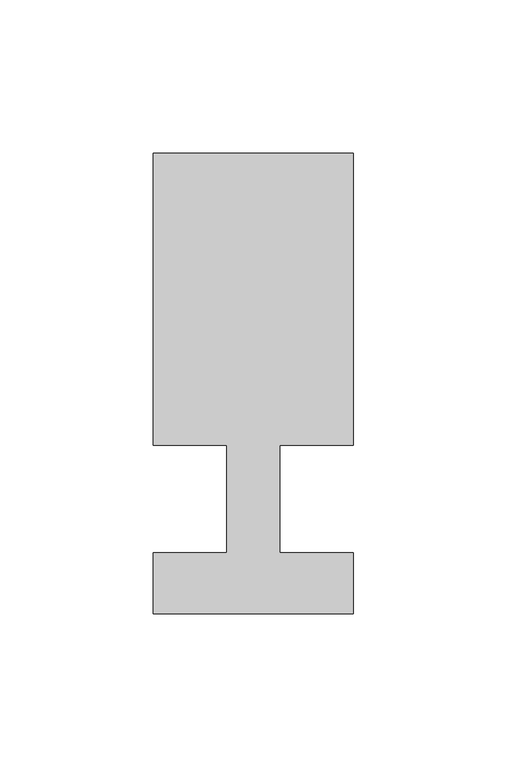
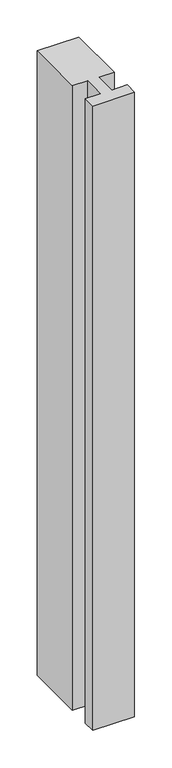
"""IFC4 building model written with IfcOpenShell, lengths in millimetres: member geometry."""

from ifc_helpers import new_model, si_unit, frame, origin, place, context, project, spatial, polyline, outline, extrude, source, transform, mapped, element, save


def member_bf1898e6(model_context):
    return source(origin(), model_context, "Body", "SweptSolid", [
        extrude(outline(polyline([(-65.0, -37.0), (-65.0, -17.0), (-41.1875, -17.0), (-41.1875, 18.0), (-65.0, 18.0), (-65.0, 113.0), (0.0, 113.0), (0.0, 18.0), (-23.8125, 18.0), (-23.8125, -17.0), (0.0, -17.0), (0.0, -37.0), (-65.0, -37.0)])), frame((0.0, 0.0, -1028.2142857), z_axis=(0.0, 0.0, 1.0), x_axis=(1.0, 0.0, 0.0)), (0.0, 0.0, 1.0), 1028.2142857),
    ])


if __name__ == "__main__":
    model = new_model("IFC4")
    model_context = context("Model", 3, world=origin())
    ifc_project = project(units=[si_unit("LENGTHUNIT", "METRE", prefix="MILLI")], contexts=[model_context])
    site = spatial("IfcSite", under=ifc_project)
    building = spatial("IfcBuilding", under=site)
    placement = place(None, origin())
    member_shape = member_bf1898e6(model_context)
    element("IfcMember", 1, at=placement, inside=building, context=model_context, shape_type="MappedRepresentation", body=[
        mapped(member_shape, transform((0.0, 0.0, 0.0), x_axis=(1.0, 0.0, 0.0), y_axis=(0.0, 1.0, 0.0), z_axis=(0.0, 0.0, 1.0))),
    ])
    save(model, "model.ifc")
